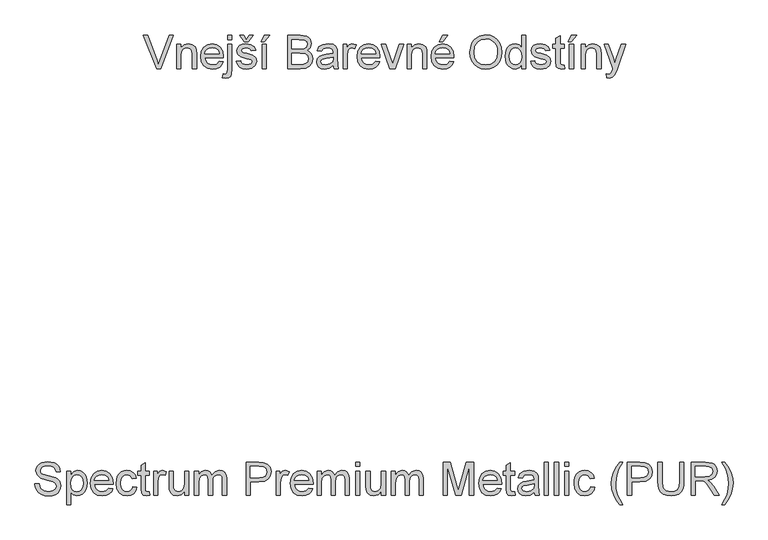
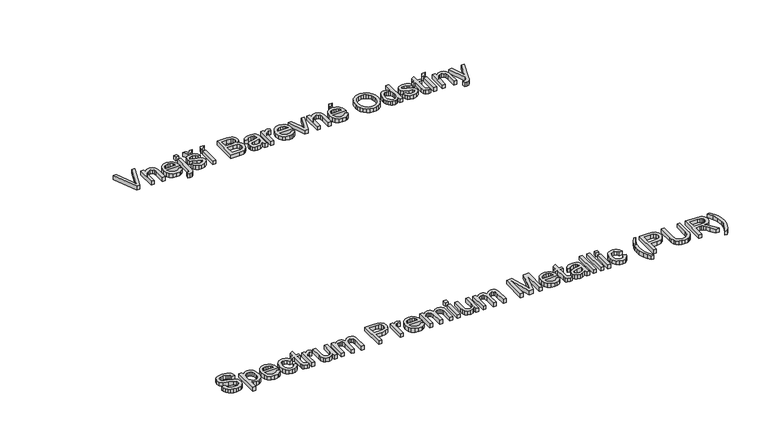
"""IFC4 building model written with IfcOpenShell, lengths in millimetres: proxy geometry."""

from ifc_helpers import new_model, si_unit, origin, origin_with_axes, place, context, project, spatial, polyline, outline, extrude, source, transform, mapped, element, save


def generic_models_a66c892b(model_context):
    return source(origin(), model_context, "Body", "SweptSolid", [
        extrude(outline(polyline([(-1589.2502192, 365.2783299), (-1570.414661, 365.2783299), (-1564.3446081, 346.4243777), (-1549.5189637, 334.505001), (-1526.9310092, 329.9616584), (-1507.2493224, 333.401355), (-1494.5389995, 342.8559223), (-1490.3635389, 355.4926689), (-1493.4905358, 367.2464986), (-1506.2928293, 375.799755), (-1533.718432, 382.991848), (-1563.2409621, 392.2808684), (-1579.262223, 406.2971724), (-1584.5413296, 425.0223659), (-1582.9088533, 436.0542273), (-1578.0114242, 446.3411276), (-1569.9778011, 455.0599308), (-1558.9367428, 461.3875012), (-1531.0144993, 466.519455), (-1501.2160577, 461.1483779), (-1489.7933218, 454.5173049), (-1481.35043, 445.3662403), (-1476.006944, 434.2654011), (-1473.8824255, 421.7850044), (-1492.7179836, 421.7850044), (-1496.1760744, 433.0237993), (-1503.3865615, 441.1355973), (-1514.6529476, 446.046822), (-1530.2787353, 447.6838968), (-1546.2724051, 446.0652161), (-1557.2444856, 441.2091737), (-1563.59045, 434.063066), (-1565.7057715, 425.5741889), (-1564.2066523, 418.3361107), (-1559.709295, 412.5143781), (-1528.9543602, 401.992953), (-1495.6242514, 392.5383858), (-1484.8866957, 385.7049777), (-1477.3956985, 377.271283), (-1472.9949102, 367.329272), (-1471.5279807, 355.9709154), (-1473.2156394, 344.35964), (-1478.2786153, 333.4381432), (-1486.509975, 324.0387583), (-1497.7027847, 316.9938181), (-1511.1626672, 312.5930297), (-1526.1952452, 311.1261002), (-1544.6491258, 312.7079928), (-1559.8380536, 317.4536706), (-1571.9367728, 325.3815275), (-1581.1200271, 336.5099579), (-1587.015336, 350.0664094), (-1589.2502192, 365.2783299)])), origin_with_axes(), (0.0, 0.0, 1.0), 25.0),
        extrude(outline(polyline([(-1445.6290882, 271.1005392), (-1445.6290882, 424.1394492), (-1426.7935301, 424.1394492), (-1426.7935301, 405.671773), (-1413.7705075, 421.2883637), (-1396.1857481, 426.4938939), (-1383.447834, 424.672878), (-1372.3102066, 419.2098304), (-1363.2419154, 410.4358448), (-1356.71201, 398.6820151), (-1351.4512975, 369.6561257), (-1352.936621, 353.5474928), (-1357.3925917, 339.1403142), (-1364.6766552, 327.1657552), (-1374.6462573, 318.3549814), (-1386.2575328, 312.9333205), (-1398.4666165, 311.1261002), (-1414.8557594, 315.9637485), (-1426.7935301, 328.1958248), (-1426.7935301, 271.1005392), (-1445.6290882, 271.1005392)]), holes=[polyline([(-1426.7935301, 367.9270803), (-1424.7563835, 351.0412967), (-1418.6449439, 339.2322847), (-1409.6272365, 332.279315), (-1398.8712867, 329.9616584), (-1387.9405929, 332.3620884), (-1378.6929592, 339.5633785), (-1372.3883815, 351.8046519), (-1370.2868556, 369.3250319), (-1372.3377978, 386.118845), (-1378.4906241, 398.0934039), (-1387.494536, 405.2671028), (-1398.0987345, 407.6583358), (-1408.7443197, 405.1153515), (-1418.0931209, 397.4863986), (-1424.6184278, 385.0106004), (-1426.7935301, 367.9270803)])]), origin_with_axes(), (0.0, 0.0, 1.0), 25.0),
        extrude(outline(polyline([(-1252.7853464, 346.4427718), (-1234.3176702, 344.088327), (-1240.9717358, 330.1731905), (-1251.5897299, 319.7713271), (-1265.9325292, 313.287407), (-1283.7610104, 311.1261002), (-1305.8615212, 314.855504), (-1322.8668665, 326.0437151), (-1333.7101883, 343.9641668), (-1337.3246289, 367.8902921), (-1333.6734001, 392.6211592), (-1322.7197137, 411.1164265), (-1305.9442947, 422.6495271), (-1284.8278682, 426.4938939), (-1264.3690307, 422.6587241), (-1248.0212745, 411.1532147), (-1237.3021129, 392.6947356), (-1233.729059, 368.0006567), (-1233.8394236, 362.9238852), (-1318.4890707, 362.9238852), (-1315.2287165, 348.8248077), (-1307.654946, 338.4597325), (-1296.7242522, 332.0861769), (-1283.3931284, 329.9616584), (-1264.9254522, 333.8979957), (-1252.7853464, 346.4427718)]), holes=[polyline([(-1318.4890707, 381.7594433), (-1252.5646172, 381.7594433), (-1255.1122, 391.7106513), (-1260.1061981, 398.8291679), (-1271.0874756, 405.4510438), (-1284.9014446, 407.6583358), (-1297.5979719, 405.8971007), (-1308.0964043, 400.6133956), (-1315.3942634, 392.3774374), (-1318.4890707, 381.7594433)])]), origin_with_axes(), (0.0, 0.0, 1.0), 25.0),
        extrude(outline(polyline([(-1144.2601578, 353.5061061), (-1125.4245996, 351.1516613), (-1130.6761151, 334.399235), (-1140.5445496, 321.7394958), (-1154.1010012, 313.7794491), (-1170.4165677, 311.1261002), (-1190.4523408, 314.8279128), (-1206.1195153, 325.9333505), (-1216.2316716, 343.9549698), (-1219.6023904, 368.4053269), (-1218.1630521, 385.1669503), (-1213.8450372, 399.6936906), (-1206.5793678, 411.4245277), (-1196.297066, 419.7984416), (-1183.9960118, 424.8200308), (-1170.6740851, 426.4938939), (-1154.7585902, 424.1946315), (-1142.0344717, 417.296844), (-1132.9063997, 406.1684137), (-1127.7790444, 391.1772224), (-1146.6146026, 388.8227776), (-1155.3518, 402.9310521), (-1170.5269323, 407.6583358), (-1182.6992278, 405.3314821), (-1192.3607287, 398.3509213), (-1198.6653064, 386.3395741), (-1200.7668323, 368.9203617), (-1198.7112916, 351.2666244), (-1192.5446697, 339.2138906), (-1183.0579127, 332.2747164), (-1171.041967, 329.9616584), (-1161.2884956, 331.4055952), (-1153.2916608, 335.7374057), (-1147.4745267, 343.0674545), (-1144.2601578, 353.5061061)])), origin_with_axes(), (0.0, 0.0, 1.0), 25.0),
        extrude(outline(polyline([(-1068.9179252, 329.1891062), (-1066.5634804, 312.928722), (-1080.6533608, 311.1261002), (-1096.4354984, 314.2530972), (-1104.3081731, 322.4568657), (-1106.5890415, 343.8308096), (-1106.5890415, 405.303891), (-1120.7157101, 405.303891), (-1120.7157101, 424.1394492), (-1106.5890415, 424.1394492), (-1106.5890415, 451.031623), (-1087.7534833, 462.1048711), (-1087.7534833, 424.1394492), (-1068.9179252, 424.1394492), (-1068.9179252, 405.303891), (-1087.7534833, 405.303891), (-1087.7534833, 344.3826326), (-1086.760202, 334.6705479), (-1083.5412345, 331.2308513), (-1077.1216937, 329.9616584), (-1068.9179252, 329.1891062)])), origin_with_axes(), (0.0, 0.0, 1.0), 25.0),
        extrude(outline(polyline([(-1050.082367, 313.480545), (-1050.082367, 424.1394492), (-1033.6012536, 424.1394492), (-1033.6012536, 407.7687004), (-1021.9026062, 422.8518622), (-1010.1303824, 426.4938939), (-991.2212478, 420.6813584), (-997.5120299, 403.7955748), (-1010.7557817, 407.6583358), (-1021.4059655, 403.9427276), (-1028.1933883, 393.6420318), (-1031.2468089, 371.6426884), (-1031.2468089, 313.480545), (-1050.082367, 313.480545)])), origin_with_axes(), (0.0, 0.0, 1.0), 25.0),
        extrude(outline(polyline([(-908.8156809, 313.480545), (-908.8156809, 332.5000442), (-923.5677489, 316.4695862), (-942.8079772, 311.1261002), (-960.5214953, 314.8784966), (-972.7351775, 324.2962757), (-978.345378, 338.1654269), (-979.449024, 355.6766098), (-979.449024, 424.1394492), (-960.6134658, 424.1394492), (-960.6134658, 364.5425659), (-959.4730316, 345.3391258), (-952.0234212, 334.0635426), (-937.9887231, 329.9616584), (-922.2617678, 334.1555131), (-911.8691014, 345.5782491), (-908.8156809, 366.5659169), (-908.8156809, 424.1394492), (-889.9801227, 424.1394492), (-889.9801227, 313.480545), (-908.8156809, 313.480545)])), origin_with_axes(), (0.0, 0.0, 1.0), 25.0),
        extrude(outline(polyline([(-864.0812303, 313.480545), (-864.0812303, 424.1394492), (-845.2456721, 424.1394492), (-845.2456721, 405.9292904), (-832.2962259, 420.8469053), (-813.8653379, 426.4938939), (-803.3898981, 425.0545556), (-794.9929916, 420.7365407), (-784.6187193, 404.6049152), (-769.9218336, 421.0216492), (-751.3621869, 426.4938939), (-737.2033287, 424.2176241), (-726.7324874, 417.3888145), (-720.2623628, 405.8235243), (-718.1056546, 389.3378124), (-718.1056546, 313.480545), (-736.9412127, 313.480545), (-736.9412127, 381.2444085), (-738.6886522, 396.9713638), (-745.0162225, 404.7152798), (-755.7767709, 407.6583358), (-765.9808977, 405.7729405), (-774.2996293, 400.1167549), (-779.8316549, 390.3035026), (-781.6756634, 375.9469078), (-781.6756634, 313.480545), (-800.5112215, 313.480545), (-800.5112215, 383.3413359), (-804.8706231, 401.5882828), (-810.6233778, 406.1408225), (-819.1628387, 407.6583358), (-833.1055663, 403.6116338), (-842.3761926, 391.7658336), (-845.2456721, 369.2882437), (-845.2456721, 313.480545), (-864.0812303, 313.480545)])), origin_with_axes(), (0.0, 0.0, 1.0), 25.0),
        extrude(outline(polyline([(-628.6367534, 313.480545), (-628.6367534, 464.1650102), (-572.7922665, 464.1650102), (-550.2778884, 462.7302704), (-531.9757591, 455.6853302), (-520.1115648, 441.1172032), (-515.6234044, 420.5709938), (-518.6538324, 402.8114905), (-527.7451162, 388.0134372), (-544.7458629, 378.0254411), (-571.5046795, 374.696109), (-609.8011952, 374.696109), (-609.8011952, 313.480545), (-628.6367534, 313.480545)]), holes=[polyline([(-609.8011952, 393.5316672), (-570.4010335, 393.5316672), (-553.6991909, 395.2607125), (-542.6627311, 400.4478487), (-536.5099047, 408.7711788), (-534.4589626, 419.9088062), (-539.2966108, 435.5070028), (-552.0069338, 444.0418651), (-570.8424919, 445.3294521), (-609.8011952, 445.3294521), (-609.8011952, 393.5316672)])]), origin_with_axes(), (0.0, 0.0, 1.0), 25.0),
        extrude(outline(polyline([(-492.0789567, 313.480545), (-492.0789567, 424.1394492), (-475.5978434, 424.1394492), (-475.5978434, 407.7687004), (-463.8991959, 422.8518622), (-452.1269721, 426.4938939), (-433.2178375, 420.6813584), (-439.5086196, 403.7955748), (-452.7523715, 407.6583358), (-463.4025552, 403.9427276), (-470.189978, 393.6420318), (-473.2433986, 371.6426884), (-473.2433986, 313.480545), (-492.0789567, 313.480545)])), origin_with_axes(), (0.0, 0.0, 1.0), 25.0),
        extrude(outline(polyline([(-343.9696655, 346.4427718), (-325.5019893, 344.088327), (-332.1560549, 330.1731905), (-342.774049, 319.7713271), (-357.1168483, 313.287407), (-374.9453295, 311.1261002), (-397.0458403, 314.855504), (-414.0511856, 326.0437151), (-424.8945074, 343.9641668), (-428.508948, 367.8902921), (-424.8577192, 392.6211592), (-413.9040328, 411.1164265), (-397.1286138, 422.6495271), (-376.0121873, 426.4938939), (-355.5533498, 422.6587241), (-339.2055937, 411.1532147), (-328.486432, 392.6947356), (-324.9133781, 368.0006567), (-325.0237427, 362.9238852), (-409.6733898, 362.9238852), (-406.4130356, 348.8248077), (-398.8392651, 338.4597325), (-387.9085713, 332.0861769), (-374.5774475, 329.9616584), (-356.1097713, 333.8979957), (-343.9696655, 346.4427718)]), holes=[polyline([(-409.6733898, 381.7594433), (-343.7489363, 381.7594433), (-346.2965191, 391.7106513), (-351.2905172, 398.8291679), (-362.2717948, 405.4510438), (-376.0857637, 407.6583358), (-388.782291, 405.8971007), (-399.2807235, 400.6133956), (-406.5785825, 392.3774374), (-409.6733898, 381.7594433)])]), origin_with_axes(), (0.0, 0.0, 1.0), 25.0),
        extrude(outline(polyline([(-306.07782, 313.480545), (-306.07782, 424.1394492), (-287.2422618, 424.1394492), (-287.2422618, 405.9292904), (-274.2928156, 420.8469053), (-255.8619276, 426.4938939), (-245.3864878, 425.0545556), (-236.9895813, 420.7365407), (-226.615309, 404.6049152), (-211.9184233, 421.0216492), (-193.3587767, 426.4938939), (-179.1999184, 424.2176241), (-168.7290771, 417.3888145), (-162.2589525, 405.8235243), (-160.1022443, 389.3378124), (-160.1022443, 313.480545), (-178.9378025, 313.480545), (-178.9378025, 381.2444085), (-180.6852419, 396.9713638), (-187.0128122, 404.7152798), (-197.7733606, 407.6583358), (-207.9774874, 405.7729405), (-216.2962191, 400.1167549), (-221.8282446, 390.3035026), (-223.6722531, 375.9469078), (-223.6722531, 313.480545), (-242.5078112, 313.480545), (-242.5078112, 383.3413359), (-246.8672129, 401.5882828), (-252.6199676, 406.1408225), (-261.1594284, 407.6583358), (-275.102156, 403.6116338), (-284.3727823, 391.7658336), (-287.2422618, 369.2882437), (-287.2422618, 313.480545), (-306.07782, 313.480545)])), origin_with_axes(), (0.0, 0.0, 1.0), 25.0),
        extrude(outline(polyline([(-131.8489071, 313.480545), (-131.8489071, 424.1394492), (-113.0133489, 424.1394492), (-113.0133489, 313.480545), (-131.8489071, 313.480545)])), origin_with_axes(), (0.0, 0.0, 1.0), 25.0),
        extrude(outline(polyline([(-131.8489071, 445.3294521), (-131.8489071, 464.1650102), (-113.0133489, 464.1650102), (-113.0133489, 445.3294521), (-131.8489071, 445.3294521)])), origin_with_axes(), (0.0, 0.0, 1.0), 25.0),
        extrude(outline(polyline([(-14.1266686, 313.480545), (-14.1266686, 332.5000442), (-28.8787366, 316.4695862), (-48.118965, 311.1261002), (-65.832483, 314.8784966), (-78.0461653, 324.2962757), (-83.6563657, 338.1654269), (-84.7600117, 355.6766098), (-84.7600117, 424.1394492), (-65.9244535, 424.1394492), (-65.9244535, 364.5425659), (-64.7840194, 345.3391258), (-57.3344089, 334.0635426), (-43.2997108, 329.9616584), (-27.5727555, 334.1555131), (-17.1800892, 345.5782491), (-14.1266686, 366.5659169), (-14.1266686, 424.1394492), (4.7088895, 424.1394492), (4.7088895, 313.480545), (-14.1266686, 313.480545)])), origin_with_axes(), (0.0, 0.0, 1.0), 25.0),
        extrude(outline(polyline([(30.607782, 313.480545), (30.607782, 424.1394492), (49.4433402, 424.1394492), (49.4433402, 405.9292904), (62.3927864, 420.8469053), (80.8236743, 426.4938939), (91.2991142, 425.0545556), (99.6960207, 420.7365407), (110.070293, 404.6049152), (124.7671787, 421.0216492), (143.3268253, 426.4938939), (157.4856836, 424.2176241), (167.9565249, 417.3888145), (174.4266495, 405.8235243), (176.5833577, 389.3378124), (176.5833577, 313.480545), (157.7477995, 313.480545), (157.7477995, 381.2444085), (156.0003601, 396.9713638), (149.6727897, 404.7152798), (138.9122414, 407.6583358), (128.7081145, 405.7729405), (120.3893829, 400.1167549), (114.8573574, 390.3035026), (113.0133489, 375.9469078), (113.0133489, 313.480545), (94.1777908, 313.480545), (94.1777908, 383.3413359), (89.8183891, 401.5882828), (84.0656344, 406.1408225), (75.5261736, 407.6583358), (61.583446, 403.6116338), (52.3128197, 391.7658336), (49.4433402, 369.2882437), (49.4433402, 313.480545), (30.607782, 313.480545)])), origin_with_axes(), (0.0, 0.0, 1.0), 25.0),
        extrude(outline(polyline([(266.0522589, 313.480545), (266.0522589, 464.1650102), (298.3522981, 464.1650102), (329.2543857, 357.9574782), (335.5083796, 335.7741939), (342.2406201, 359.7968882), (372.5540965, 464.1650102), (404.9645003, 464.1650102), (404.9645003, 313.480545), (386.1289421, 313.480545), (386.1289421, 445.3294521), (348.2738848, 313.480545), (322.7796626, 313.480545), (284.8878171, 445.3294521), (284.8878171, 313.480545), (266.0522589, 313.480545)])), origin_with_axes(), (0.0, 0.0, 1.0), 25.0),
        extrude(outline(polyline([(513.0482305, 346.4427718), (531.5159066, 344.088327), (524.861841, 330.1731905), (514.243847, 319.7713271), (499.9010477, 313.287407), (482.0725665, 311.1261002), (459.9720556, 314.855504), (442.9667104, 326.0437151), (432.1233886, 343.9641668), (428.508948, 367.8902921), (432.1601768, 392.6211592), (443.1138632, 411.1164265), (459.8892822, 422.6495271), (481.0057087, 426.4938939), (501.4645462, 422.6587241), (517.8123023, 411.1532147), (528.5314639, 392.6947356), (532.1045178, 368.0006567), (531.9941532, 362.9238852), (447.3445061, 362.9238852), (450.6048603, 348.8248077), (458.1786309, 338.4597325), (469.1093247, 332.0861769), (482.4404485, 329.9616584), (500.9081246, 333.8979957), (513.0482305, 346.4427718)]), holes=[polyline([(447.3445061, 381.7594433), (513.2689597, 381.7594433), (510.7213769, 391.7106513), (505.7273788, 398.8291679), (494.7461012, 405.4510438), (480.9321323, 407.6583358), (468.2356049, 405.8971007), (457.7371725, 400.6133956), (450.4393134, 392.3774374), (447.3445061, 381.7594433)])]), origin_with_axes(), (0.0, 0.0, 1.0), 25.0),
        extrude(outline(polyline([(590.9656371, 329.1891062), (593.3200818, 312.928722), (579.2302014, 311.1261002), (563.4480638, 314.2530972), (555.5753891, 322.4568657), (553.2945207, 343.8308096), (553.2945207, 405.303891), (539.1678521, 405.303891), (539.1678521, 424.1394492), (553.2945207, 424.1394492), (553.2945207, 451.031623), (572.1300789, 462.1048711), (572.1300789, 424.1394492), (590.9656371, 424.1394492), (590.9656371, 405.303891), (572.1300789, 405.303891), (572.1300789, 344.3826326), (573.1233603, 334.6705479), (576.3423277, 331.2308513), (582.7618686, 329.9616584), (590.9656371, 329.1891062)])), origin_with_axes(), (0.0, 0.0, 1.0), 25.0),
        extrude(outline(polyline([(680.4345383, 327.6072136), (662.1691972, 314.8417084), (641.9908698, 311.1261002), (626.2501189, 313.3609834), (614.6388434, 320.0656327), (607.4789401, 330.2467669), (605.0923057, 342.9111046), (608.6975492, 357.8103254), (618.1705106, 368.6260561), (631.3590801, 374.8064736), (647.6562525, 377.639165), (680.3241737, 384.1138881), (680.4345383, 388.3077428), (679.1377542, 396.7138464), (675.2474021, 402.2136822), (666.546993, 406.2971724), (654.4252812, 407.6583358), (635.3689939, 404.0346981), (626.2823086, 391.1772224), (607.4467504, 393.5316672), (615.5953366, 411.9257669), (632.0028736, 422.7047094), (656.8533024, 426.4938939), (679.6803802, 423.1461678), (692.5746441, 414.7400642), (698.3503914, 401.9561648), (699.2700964, 385.4750515), (699.2700964, 362.0409684), (700.2265896, 329.3178649), (703.978986, 313.480545), (685.1434278, 313.480545), (680.4345383, 327.6072136)]), holes=[polyline([(680.4345383, 365.2783299), (650.0474855, 359.5025826), (633.8422836, 356.449162), (626.5030378, 351.4827551), (623.9278638, 344.2354798), (629.5380642, 334.0451485), (646.0007835, 329.9616584), (665.0570709, 334.4682128), (677.3443295, 345.375914), (680.3241737, 359.944041), (680.4345383, 365.2783299)])]), origin_with_axes(), (0.0, 0.0, 1.0), 25.0),
        extrude(outline(polyline([(725.1689889, 313.480545), (725.1689889, 464.1650102), (744.004547, 464.1650102), (744.004547, 313.480545), (725.1689889, 313.480545)])), origin_with_axes(), (0.0, 0.0, 1.0), 25.0),
        extrude(outline(polyline([(772.2578843, 313.480545), (772.2578843, 464.1650102), (791.0934424, 464.1650102), (791.0934424, 313.480545), (772.2578843, 313.480545)])), origin_with_axes(), (0.0, 0.0, 1.0), 25.0),
        extrude(outline(polyline([(819.3467797, 313.480545), (819.3467797, 424.1394492), (838.1823378, 424.1394492), (838.1823378, 313.480545), (819.3467797, 313.480545)])), origin_with_axes(), (0.0, 0.0, 1.0), 25.0),
        extrude(outline(polyline([(819.3467797, 445.3294521), (819.3467797, 464.1650102), (838.1823378, 464.1650102), (838.1823378, 445.3294521), (819.3467797, 445.3294521)])), origin_with_axes(), (0.0, 0.0, 1.0), 25.0),
        extrude(outline(polyline([(937.0690181, 353.5061061), (955.9045763, 351.1516613), (950.6530608, 334.399235), (940.7846263, 321.7394958), (927.2281747, 313.7794491), (910.9126083, 311.1261002), (890.8768351, 314.8279128), (875.2096606, 325.9333505), (865.0975043, 343.9549698), (861.7267855, 368.4053269), (863.1661238, 385.1669503), (867.4841387, 399.6936906), (874.7498081, 411.4245277), (885.0321099, 419.7984416), (897.3331641, 424.8200308), (910.6550909, 426.4938939), (926.5705857, 424.1946315), (939.2947042, 417.296844), (948.4227762, 406.1684137), (953.5501315, 391.1772224), (934.7145733, 388.8227776), (925.977376, 402.9310521), (910.8022437, 407.6583358), (898.6299481, 405.3314821), (888.9684472, 398.3509213), (882.6638696, 386.3395741), (880.5623437, 368.9203617), (882.6178843, 351.2666244), (888.7845062, 339.2138906), (898.2712632, 332.2747164), (910.2872089, 329.9616584), (920.0406803, 331.4055952), (928.0375151, 335.7374057), (933.8546492, 343.0674545), (937.0690181, 353.5061061)])), origin_with_axes(), (0.0, 0.0, 1.0), 25.0),
        extrude(outline(polyline([(1068.9179252, 271.1005392), (1054.322207, 291.5823692), (1042.1729041, 315.2831668), (1033.9783327, 341.0533005), (1031.2468089, 367.7431393), (1033.288554, 391.1496312), (1039.4137892, 413.5444477), (1051.5722891, 438.9099113), (1068.9179252, 464.1650102), (1083.0445938, 464.1650102), (1065.4230462, 434.3297804), (1054.8280448, 405.4142556), (1050.082367, 367.6327747), (1052.1425062, 343.4859202), (1058.3229237, 319.3482628), (1068.6236196, 295.2198025), (1083.0445938, 271.1005392), (1068.9179252, 271.1005392)])), origin_with_axes(), (0.0, 0.0, 1.0), 25.0),
        extrude(outline(polyline([(1104.2345967, 313.480545), (1104.2345967, 464.1650102), (1160.0790836, 464.1650102), (1182.5934617, 462.7302704), (1200.895591, 455.6853302), (1212.7597853, 441.1172032), (1217.2479456, 420.5709938), (1214.2175177, 402.8114905), (1205.1262339, 388.0134372), (1188.1254872, 378.0254411), (1161.3666706, 374.696109), (1123.0701549, 374.696109), (1123.0701549, 313.480545), (1104.2345967, 313.480545)]), holes=[polyline([(1123.0701549, 393.5316672), (1162.4703166, 393.5316672), (1179.1721591, 395.2607125), (1190.208619, 400.4478487), (1196.3614454, 408.7711788), (1198.4123875, 419.9088062), (1193.5747393, 435.5070028), (1180.8644163, 444.0418651), (1162.0288582, 445.3294521), (1123.0701549, 445.3294521), (1123.0701549, 393.5316672)])]), origin_with_axes(), (0.0, 0.0, 1.0), 25.0),
        extrude(outline(polyline([(1342.0335184, 464.1650102), (1360.8690766, 464.1650102), (1360.8690766, 377.2344948), (1359.5906866, 356.8768249), (1355.7555168, 341.2004533), (1348.591015, 329.1063327), (1337.3246289, 319.4954156), (1321.9287674, 313.2184291), (1302.3758393, 311.1261002), (1283.2505741, 312.9471161), (1267.9604787, 318.4101637), (1256.5009545, 327.3267036), (1248.8674031, 339.5081962), (1244.5769794, 355.8467553), (1243.1468381, 377.2344948), (1243.1468381, 464.1650102), (1261.9823963, 464.1650102), (1261.9823963, 377.8966824), (1265.6980044, 349.1834926), (1270.7471848, 341.0211109), (1278.4635096, 334.9648535), (1300.6100057, 329.9616584), (1319.7674606, 332.4356648), (1332.5053747, 339.8576841), (1339.6514825, 354.3154465), (1342.0335184, 377.8966824), (1342.0335184, 464.1650102)])), origin_with_axes(), (0.0, 0.0, 1.0), 25.0),
        extrude(outline(polyline([(1393.8313033, 313.480545), (1393.8313033, 464.1650102), (1458.7624755, 464.1650102), (1488.910405, 460.0999142), (1498.1902283, 454.4713197), (1505.3915184, 445.7157282), (1510.0130359, 434.8586108), (1511.5535418, 422.9254386), (1509.0013604, 408.0814001), (1501.3448164, 395.7757473), (1488.3539835, 386.7534414), (1469.7989353, 381.7594433), (1480.5043014, 373.7028276), (1495.7714042, 354.3154465), (1520.8977445, 313.480545), (1499.0087657, 313.480545), (1479.4006554, 344.7137264), (1465.2371986, 365.3886945), (1455.2859906, 375.1559615), (1446.328064, 378.7428109), (1435.4019688, 379.4049985), (1412.6668615, 379.4049985), (1412.6668615, 313.480545), (1393.8313033, 313.480545)]), holes=[polyline([(1412.6668615, 398.2405567), (1454.8261381, 398.2405567), (1476.3288407, 400.9077012), (1488.542523, 409.4425634), (1492.7179836, 422.2264628), (1490.7268223, 431.4143156), (1484.7533384, 438.8179408), (1474.4756352, 443.7015742), (1459.5718159, 445.3294521), (1412.6668615, 445.3294521), (1412.6668615, 398.2405567)])]), origin_with_axes(), (0.0, 0.0, 1.0), 25.0),
        extrude(outline(polyline([(1546.8702133, 271.1005392), (1532.7435447, 271.1005392), (1547.1645189, 295.2198025), (1557.4652148, 319.3482628), (1563.6456323, 343.4859202), (1565.7057715, 367.6327747), (1560.9600937, 405.0831618), (1550.4754569, 434.0354748), (1532.7435447, 464.1650102), (1546.8702133, 464.1650102), (1564.2158494, 438.9099113), (1576.3743493, 413.5444477), (1582.4995846, 391.1496312), (1584.5413296, 367.7431393), (1581.7960102, 341.0533005), (1573.5600521, 315.2831668), (1561.3969536, 291.5823692), (1546.8702133, 271.1005392)])), origin_with_axes(), (0.0, 0.0, 1.0), 25.0),
        extrude(outline(polyline([(-1036.2132158, 2253.480545), (-1096.1411928, 2404.1650102), (-1075.9812595, 2404.1650102), (-1035.8453338, 2295.6030335), (-1027.7151417, 2271.1388808), (-1019.6953142, 2295.6030335), (-979.449024, 2404.1650102), (-959.3258788, 2404.1650102), (-1016.7890465, 2253.480545), (-1036.2132158, 2253.480545)])), origin_with_axes(), (0.0, 0.0, 1.0), 25.0),
        extrude(outline(polyline([(-944.1323524, 2253.480545), (-944.1323524, 2364.1394492), (-925.2967943, 2364.1394492), (-925.2967943, 2348.6884054), (-910.8942142, 2362.0425218), (-891.2309215, 2366.4938939), (-873.443827, 2362.9070445), (-861.3037212, 2353.4892654), (-855.6567326, 2339.6385083), (-854.6634512, 2321.4283495), (-854.6634512, 2253.480545), (-873.4990093, 2253.480545), (-873.4990093, 2318.8899637), (-875.6695131, 2335.5550181), (-883.3398527, 2344.3657919), (-896.2709048, 2347.6583358), (-907.3027662, 2345.8097287), (-916.7067497, 2340.2639077), (-923.1492831, 2329.5493446), (-925.2967943, 2312.1945114), (-925.2967943, 2253.480545), (-944.1323524, 2253.480545)])), origin_with_axes(), (0.0, 0.0, 1.0), 25.0),
        extrude(outline(polyline([(-737.1251537, 2211.0269628), (-733.1888164, 2228.9428159), (-724.5068013, 2227.5816525), (-716.15588, 2231.3156548), (-713.396765, 2249.985666), (-713.396765, 2364.1394492), (-694.5612069, 2364.1394492), (-694.5612069, 2247.5576449), (-695.8947791, 2230.2671911), (-699.8954958, 2219.1571549), (-708.9086047, 2211.3488595), (-722.4098739, 2208.7460944), (-737.1251537, 2211.0269628)])), origin_with_axes(), (0.0, 0.0, 1.0), 25.0),
        extrude(outline(polyline([(-713.396765, 2385.3294521), (-713.396765, 2404.1650102), (-694.5612069, 2404.1650102), (-694.5612069, 2385.3294521), (-713.396765, 2385.3294521)])), origin_with_axes(), (0.0, 0.0, 1.0), 25.0),
        extrude(outline(polyline([(-751.2886106, 2286.4427718), (-732.8209344, 2284.088327), (-739.475, 2270.1731905), (-750.0929941, 2259.7713271), (-764.4357934, 2253.287407), (-782.2642745, 2251.1261002), (-804.3647854, 2254.855504), (-821.3701306, 2266.0437151), (-832.2134524, 2283.9641668), (-835.827893, 2307.8902921), (-832.1766642, 2332.6211592), (-821.2229778, 2351.1164265), (-804.4475589, 2362.6495271), (-783.3311323, 2366.4938939), (-762.8722949, 2362.6587241), (-746.5245387, 2351.1532147), (-735.8053771, 2332.6947356), (-732.2323232, 2308.0006567), (-732.3426878, 2302.9238852), (-816.9923349, 2302.9238852), (-813.7319807, 2288.8248077), (-806.1582101, 2278.4597325), (-795.2275163, 2272.0861769), (-781.8963925, 2269.9616584), (-763.4287164, 2273.8979957), (-751.2886106, 2286.4427718)]), holes=[polyline([(-816.9923349, 2321.7594433), (-751.0678814, 2321.7594433), (-753.6154642, 2331.7106513), (-758.6094623, 2338.8291679), (-769.5907398, 2345.4510438), (-783.4047087, 2347.6583358), (-796.1012361, 2345.8971007), (-806.5996685, 2340.6133956), (-813.8975276, 2332.3774374), (-816.9923349, 2321.7594433)])]), origin_with_axes(), (0.0, 0.0, 1.0), 25.0),
        extrude(outline(polyline([(-673.371204, 2286.4427718), (-654.5356458, 2288.7972165), (-651.5649987, 2280.7406008), (-645.8168425, 2274.8177007), (-625.8408502, 2269.9616584), (-606.63741, 2274.4130305), (-600.3834161, 2284.8608792), (-601.9561117, 2289.6617392), (-606.6741982, 2293.3221651), (-626.0615794, 2298.6932422), (-654.4252812, 2307.9086862), (-666.8045104, 2318.6692345), (-671.0167592, 2333.8627609), (-667.6322448, 2347.8974591), (-658.3984068, 2358.6212192), (-646.4238478, 2364.1946315), (-630.2186459, 2366.4938939), (-607.2995976, 2362.7966799), (-592.7314706, 2352.7902896), (-586.2567475, 2335.8861119), (-605.0923057, 2333.5316672), (-612.1740341, 2343.9243335), (-628.747118, 2347.6583358), (-646.7733357, 2344.0898804), (-652.181201, 2335.7757473), (-649.9371209, 2330.2943056), (-642.9105748, 2326.1372391), (-626.6869788, 2322.1273253), (-599.0406468, 2313.2613692), (-586.2015652, 2303.2181908), (-581.547858, 2286.847442), (-587.0109056, 2268.8212242), (-602.7746491, 2255.7430193), (-626.0983676, 2251.1261002), (-645.0902756, 2253.3517863), (-658.9502298, 2260.0288445), (-668.2024619, 2271.0836985), (-673.371204, 2286.4427718)])), origin_with_axes(), (0.0, 0.0, 1.0), 25.0),
        extrude(outline(polyline([(-628.6367534, 2385.3294521), (-615.6873071, 2404.1650102), (-596.851749, 2404.1650102), (-619.2189743, 2375.911673), (-638.0545324, 2375.911673), (-658.067313, 2404.1650102), (-639.2317548, 2404.1650102), (-628.6367534, 2385.3294521)])), origin_with_axes(), (0.0, 0.0, 1.0), 25.0),
        extrude(outline(polyline([(-555.6489655, 2253.480545), (-555.6489655, 2364.1394492), (-536.8134074, 2364.1394492), (-536.8134074, 2253.480545), (-555.6489655, 2253.480545)])), origin_with_axes(), (0.0, 0.0, 1.0), 25.0),
        extrude(outline(polyline([(-560.3578551, 2375.911673), (-546.2311864, 2404.1650102), (-522.6867387, 2404.1650102), (-546.2311864, 2375.911673), (-560.3578551, 2375.911673)])), origin_with_axes(), (0.0, 0.0, 1.0), 25.0),
        extrude(outline(polyline([(-440.2811718, 2253.480545), (-440.2811718, 2404.1650102), (-382.781216, 2404.1650102), (-354.6198493, 2399.7320322), (-345.1560849, 2394.1080362), (-337.9915831, 2386.1020043), (-331.9767124, 2366.8249877), (-337.0350899, 2349.2218342), (-352.3205868, 2335.8861119), (-341.6474104, 2330.3126997), (-333.7609401, 2321.8330197), (-328.8911022, 2311.008092), (-327.2678229, 2298.3989366), (-331.700801, 2278.1470328), (-342.6820785, 2263.7260586), (-359.0712214, 2256.0741131), (-383.2226744, 2253.480545), (-440.2811718, 2253.480545)]), holes=[polyline([(-421.4456137, 2342.9494462), (-387.0486471, 2342.9494462), (-366.9622902, 2344.568127), (-354.8773666, 2351.5394908), (-350.8122706, 2363.8083554), (-354.6014552, 2376.095614), (-365.453974, 2383.3612834), (-389.6606093, 2385.3294521), (-421.4456137, 2385.3294521), (-421.4456137, 2342.9494462)]), polyline([(-421.4456137, 2272.3161032), (-382.8180042, 2272.3161032), (-368.8384884, 2273.0518671), (-357.0110822, 2277.1537514), (-349.1751957, 2285.5230668), (-346.1033811, 2298.2149956), (-349.7086246, 2312.856699), (-361.388878, 2321.5938964), (-384.6574142, 2324.1138881), (-421.4456137, 2324.1138881), (-421.4456137, 2272.3161032)])]), origin_with_axes(), (0.0, 0.0, 1.0), 25.0),
        extrude(outline(polyline([(-233.0900321, 2267.6072136), (-251.3553732, 2254.8417084), (-271.5337006, 2251.1261002), (-287.2744515, 2253.3609834), (-298.885727, 2260.0656327), (-306.0456303, 2270.2467669), (-308.4322648, 2282.9111046), (-304.8270212, 2297.8103254), (-295.3540598, 2308.6260561), (-282.1654903, 2314.8064736), (-265.8683179, 2317.639165), (-233.2003967, 2324.1138881), (-233.0900321, 2328.3077428), (-234.3868162, 2336.7138464), (-238.2771683, 2342.2136822), (-246.9775775, 2346.2971724), (-259.0992892, 2347.6583358), (-278.1555766, 2344.0346981), (-287.2422618, 2331.1772224), (-306.07782, 2333.5316672), (-297.9292338, 2351.9257669), (-281.5216968, 2362.7047094), (-256.671268, 2366.4938939), (-233.8441902, 2363.1461678), (-220.9499263, 2354.7400642), (-215.174179, 2341.9561648), (-214.254474, 2325.4750515), (-214.254474, 2302.0409684), (-213.2979808, 2269.3178649), (-209.5455845, 2253.480545), (-228.3811426, 2253.480545), (-233.0900321, 2267.6072136)]), holes=[polyline([(-233.0900321, 2305.2783299), (-263.4770849, 2299.5025826), (-279.6822868, 2296.449162), (-287.0215326, 2291.4827551), (-289.5967066, 2284.2354798), (-283.9865062, 2274.0451485), (-267.5237869, 2269.9616584), (-248.4674995, 2274.4682128), (-236.1802409, 2285.375914), (-233.2003967, 2299.944041), (-233.0900321, 2305.2783299)])]), origin_with_axes(), (0.0, 0.0, 1.0), 25.0),
        extrude(outline(polyline([(-188.3555815, 2253.480545), (-188.3555815, 2364.1394492), (-171.8744681, 2364.1394492), (-171.8744681, 2347.7687004), (-160.1758207, 2362.8518622), (-148.4035969, 2366.4938939), (-129.4944623, 2360.6813584), (-135.7852444, 2343.7955748), (-149.0289962, 2347.6583358), (-159.67918, 2343.9427276), (-166.4666028, 2333.6420318), (-169.5200234, 2311.6426884), (-169.5200234, 2253.480545), (-188.3555815, 2253.480545)])), origin_with_axes(), (0.0, 0.0, 1.0), 25.0),
        extrude(outline(polyline([(-40.2462903, 2286.4427718), (-21.7786141, 2284.088327), (-28.4326797, 2270.1731905), (-39.0506738, 2259.7713271), (-53.3934731, 2253.287407), (-71.2219543, 2251.1261002), (-93.3224651, 2254.855504), (-110.3278104, 2266.0437151), (-121.1711322, 2283.9641668), (-124.7855728, 2307.8902921), (-121.134344, 2332.6211592), (-110.1806576, 2351.1164265), (-93.4052386, 2362.6495271), (-72.2888121, 2366.4938939), (-51.8299746, 2362.6587241), (-35.4822184, 2351.1532147), (-24.7630568, 2332.6947356), (-21.1900029, 2308.0006567), (-21.3003675, 2302.9238852), (-105.9500146, 2302.9238852), (-102.6896604, 2288.8248077), (-95.1158899, 2278.4597325), (-84.1851961, 2272.0861769), (-70.8540723, 2269.9616584), (-52.3863961, 2273.8979957), (-40.2462903, 2286.4427718)]), holes=[polyline([(-105.9500146, 2321.7594433), (-40.0255611, 2321.7594433), (-42.5731439, 2331.7106513), (-47.567142, 2338.8291679), (-58.5484195, 2345.4510438), (-72.3623885, 2347.6583358), (-85.0589158, 2345.8971007), (-95.5573482, 2340.6133956), (-102.8552073, 2332.3774374), (-105.9500146, 2321.7594433)])]), origin_with_axes(), (0.0, 0.0, 1.0), 25.0),
        extrude(outline(polyline([(24.8688229, 2253.480545), (-14.1266686, 2364.1394492), (5.7757473, 2364.1394492), (29.3937714, 2297.8471136), (36.4938939, 2275.5534647), (43.4468636, 2296.5963148), (67.1752523, 2364.1394492), (87.1144565, 2364.1394492), (48.670788, 2253.480545), (24.8688229, 2253.480545)])), origin_with_axes(), (0.0, 0.0, 1.0), 25.0),
        extrude(outline(polyline([(103.5955698, 2253.480545), (103.5955698, 2364.1394492), (122.431128, 2364.1394492), (122.431128, 2348.6884054), (136.8337081, 2362.0425218), (156.4970007, 2366.4938939), (174.2840952, 2362.9070445), (186.4242011, 2353.4892654), (192.0711897, 2339.6385083), (193.0644711, 2321.4283495), (193.0644711, 2253.480545), (174.2289129, 2253.480545), (174.2289129, 2318.8899637), (172.0584091, 2335.5550181), (164.3880695, 2344.3657919), (151.4570174, 2347.6583358), (140.4251561, 2345.8097287), (131.0211726, 2340.2639077), (124.5786391, 2329.5493446), (122.431128, 2312.1945114), (122.431128, 2253.480545), (103.5955698, 2253.480545)])), origin_with_axes(), (0.0, 0.0, 1.0), 25.0),
        extrude(outline(polyline([(296.4393117, 2286.4427718), (314.9069879, 2284.088327), (308.2529223, 2270.1731905), (297.6349282, 2259.7713271), (283.2921289, 2253.287407), (265.4636477, 2251.1261002), (243.3631369, 2254.855504), (226.3577916, 2266.0437151), (215.5144698, 2283.9641668), (211.9000292, 2307.8902921), (215.551258, 2332.6211592), (226.5049444, 2351.1164265), (243.2803634, 2362.6495271), (264.3967899, 2366.4938939), (284.8556274, 2362.6587241), (301.2033836, 2351.1532147), (311.9225452, 2332.6947356), (315.4955991, 2308.0006567), (315.3852345, 2302.9238852), (230.7355874, 2302.9238852), (233.9959416, 2288.8248077), (241.5697121, 2278.4597325), (252.5004059, 2272.0861769), (265.8315297, 2269.9616584), (284.2992059, 2273.8979957), (296.4393117, 2286.4427718)]), holes=[polyline([(230.7355874, 2321.7594433), (296.6600409, 2321.7594433), (294.1124581, 2331.7106513), (289.11846, 2338.8291679), (278.1371825, 2345.4510438), (264.3232135, 2347.6583358), (251.6266862, 2345.8971007), (241.1282537, 2340.6133956), (233.8303947, 2332.3774374), (230.7355874, 2321.7594433)])]), origin_with_axes(), (0.0, 0.0, 1.0), 25.0),
        extrude(outline(polyline([(249.5711455, 2375.911673), (263.6978141, 2404.1650102), (287.2422618, 2404.1650102), (263.6978141, 2375.911673), (249.5711455, 2375.911673)])), origin_with_axes(), (0.0, 0.0, 1.0), 25.0),
        extrude(outline(polyline([(388.4833869, 2326.8362148), (393.5049761, 2360.1571266), (399.7819627, 2373.7756582), (408.5697438, 2385.3662403), (431.5715656, 2401.2311513), (460.404317, 2406.519455), (480.1687772, 2404.0362515), (497.8914923, 2396.5866411), (512.6067721, 2384.6948556), (523.3489263, 2368.8851269), (529.91562, 2349.92081), (532.1045178, 2328.5652602), (529.8006568, 2306.9246019), (522.8890738, 2287.6935706), (511.7514464, 2271.8562507), (496.7694522, 2260.3967265), (479.1984884, 2253.4437568), (460.2939524, 2251.1261002), (440.2259895, 2253.6874786), (422.4021069, 2261.3716138), (407.7236153, 2273.4841285), (397.0918256, 2289.3306454), (390.6354966, 2307.5637968), (388.4833869, 2326.8362148)]), holes=[polyline([(407.3189451, 2326.6522738), (411.085137, 2303.080235), (422.3837128, 2285.1183966), (439.3660654, 2273.7508429), (460.1835878, 2269.9616584), (481.3046128, 2273.7876311), (498.3145566, 2285.2655494), (509.5303589, 2303.7792108), (513.2689597, 2328.712413), (511.668673, 2345.3866644), (506.867813, 2359.7984416), (498.9905397, 2371.584461), (488.1610135, 2380.3814392), (475.0966041, 2385.8582824), (460.5146816, 2387.6838968), (440.2535807, 2384.1660253), (423.0275063, 2373.6124105), (411.2460854, 2354.8366332), (407.3189451, 2326.6522738)])]), origin_with_axes(), (0.0, 0.0, 1.0), 25.0),
        extrude(outline(polyline([(623.9278638, 2253.480545), (623.9278638, 2271.2492454), (611.4658612, 2256.1568865), (594.2397868, 2251.1261002), (582.0628928, 2252.9471161), (570.9160683, 2258.4101637), (561.4798951, 2267.1335655), (554.4349549, 2278.735644), (550.0479621, 2292.7473495), (548.5856312, 2308.6996325), (553.9751024, 2338.6820151), (560.7073429, 2350.5738006), (570.125122, 2359.320195), (581.5156683, 2364.7004692), (594.1662104, 2366.4938939), (611.5302406, 2361.3619401), (623.9278638, 2348.0262178), (623.9278638, 2404.1650102), (642.763422, 2404.1650102), (642.763422, 2253.480545), (623.9278638, 2253.480545)]), holes=[polyline([(567.4211894, 2308.7732089), (569.5457079, 2291.735674), (575.9192634, 2279.6185608), (585.1806927, 2272.375884), (595.9688322, 2269.9616584), (606.7523732, 2272.2655194), (615.7792776, 2279.1771024), (621.8907173, 2290.825166), (623.9278638, 2307.3384691), (621.8539291, 2325.392278), (615.6321248, 2337.9094629), (606.3752941, 2345.2211176), (595.19628, 2347.6583358), (584.2977759, 2345.3176866), (575.3674405, 2338.295739), (569.4077521, 2326.2338081), (567.4211894, 2308.7732089)])]), origin_with_axes(), (0.0, 0.0, 1.0), 25.0),
        extrude(outline(polyline([(663.9534249, 2286.4427718), (682.788983, 2288.7972165), (685.7596302, 2280.7406008), (691.5077863, 2274.8177007), (711.4837787, 2269.9616584), (730.6872188, 2274.4130305), (736.9412127, 2284.8608792), (735.3685172, 2289.6617392), (730.6504306, 2293.3221651), (711.2630495, 2298.6932422), (682.8993476, 2307.9086862), (670.5201185, 2318.6692345), (666.3078697, 2333.8627609), (669.692384, 2347.8974591), (678.9262221, 2358.6212192), (690.900781, 2364.1946315), (707.1059829, 2366.4938939), (730.0250312, 2362.7966799), (744.5931582, 2352.7902896), (751.0678814, 2335.8861119), (732.2323232, 2333.5316672), (725.1505948, 2343.9243335), (708.5775109, 2347.6583358), (690.5512931, 2344.0898804), (685.1434278, 2335.7757473), (687.387508, 2330.2943056), (694.4140541, 2326.1372391), (710.6376501, 2322.1273253), (738.283982, 2313.2613692), (751.1230637, 2303.2181908), (755.7767709, 2286.847442), (750.3137233, 2268.8212242), (734.5499798, 2255.7430193), (711.2262613, 2251.1261002), (692.2343533, 2253.3517863), (678.3743991, 2260.0288445), (669.1221669, 2271.0836985), (663.9534249, 2286.4427718)])), origin_with_axes(), (0.0, 0.0, 1.0), 25.0),
        extrude(outline(polyline([(816.9923349, 2269.1891062), (819.3467797, 2252.928722), (805.2568992, 2251.1261002), (789.4747616, 2254.2530972), (781.602087, 2262.4568657), (779.3212186, 2283.8308096), (779.3212186, 2345.303891), (765.19455, 2345.303891), (765.19455, 2364.1394492), (779.3212186, 2364.1394492), (779.3212186, 2391.031623), (798.1567767, 2402.1048711), (798.1567767, 2364.1394492), (816.9923349, 2364.1394492), (816.9923349, 2345.303891), (798.1567767, 2345.303891), (798.1567767, 2284.3826326), (799.1500581, 2274.6705479), (802.3690256, 2271.2308513), (808.7885664, 2269.9616584), (816.9923349, 2269.1891062)])), origin_with_axes(), (0.0, 0.0, 1.0), 25.0),
        extrude(outline(polyline([(840.5367826, 2253.480545), (840.5367826, 2364.1394492), (859.3723407, 2364.1394492), (859.3723407, 2253.480545), (840.5367826, 2253.480545)])), origin_with_axes(), (0.0, 0.0, 1.0), 25.0),
        extrude(outline(polyline([(835.827893, 2375.911673), (849.9545617, 2404.1650102), (873.4990093, 2404.1650102), (849.9545617, 2375.911673), (835.827893, 2375.911673)])), origin_with_axes(), (0.0, 0.0, 1.0), 25.0),
        extrude(outline(polyline([(894.6890123, 2253.480545), (894.6890123, 2364.1394492), (913.5245704, 2364.1394492), (913.5245704, 2348.6884054), (927.9271505, 2362.0425218), (947.5904432, 2366.4938939), (965.3775376, 2362.9070445), (977.5176435, 2353.4892654), (983.1646321, 2339.6385083), (984.1579135, 2321.4283495), (984.1579135, 2253.480545), (965.3223553, 2253.480545), (965.3223553, 2318.8899637), (963.1518516, 2335.5550181), (955.481512, 2344.3657919), (942.5504598, 2347.6583358), (931.5185985, 2345.8097287), (922.114615, 2340.2639077), (915.6720816, 2329.5493446), (913.5245704, 2312.1945114), (913.5245704, 2253.480545), (894.6890123, 2253.480545)])), origin_with_axes(), (0.0, 0.0, 1.0), 25.0),
        extrude(outline(polyline([(1010.056806, 2211.1005392), (1007.7023612, 2229.2371215), (1017.2672931, 2227.5816525), (1026.2068255, 2229.6601858), (1031.6882673, 2235.4543272), (1036.8386152, 2249.3234785), (1038.3101432, 2253.8852152), (998.2845821, 2364.1394492), (1018.1134217, 2364.1394492), (1039.377001, 2302.6663678), (1046.7714291, 2278.0918505), (1054.1658572, 2299.8336764), (1075.9812595, 2364.1394492), (1095.6629462, 2364.1394492), (1057.1457013, 2250.8317946), (1047.1393111, 2226.2572774), (1036.2132158, 2212.9767373), (1021.5715124, 2208.7460944), (1010.056806, 2211.1005392)])), origin_with_axes(), (0.0, 0.0, 1.0), 25.0),
    ])


if __name__ == "__main__":
    model = new_model("IFC4")
    model_context = context("Model", 3, world=origin())
    ifc_project = project(units=[si_unit("LENGTHUNIT", "METRE", prefix="MILLI")], contexts=[model_context])
    site = spatial("IfcSite", under=ifc_project)
    building = spatial("IfcBuilding", under=site)
    placement = place(None, origin())
    generic_models_shape = generic_models_a66c892b(model_context)
    element("IfcBuildingElementProxy", 1, Name="Generic Models", at=placement, inside=building, context=model_context, shape_type="MappedRepresentation", body=[
        mapped(generic_models_shape, transform((0.0, 0.0, 0.0), x_axis=(1.0, 0.0, 0.0), y_axis=(0.0, 1.0, 0.0), z_axis=(0.0, 0.0, 1.0))),
    ])
    save(model, "model.ifc")
